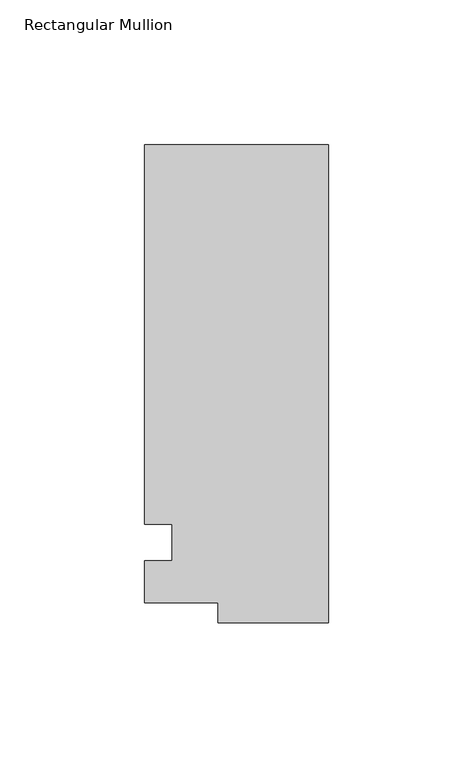
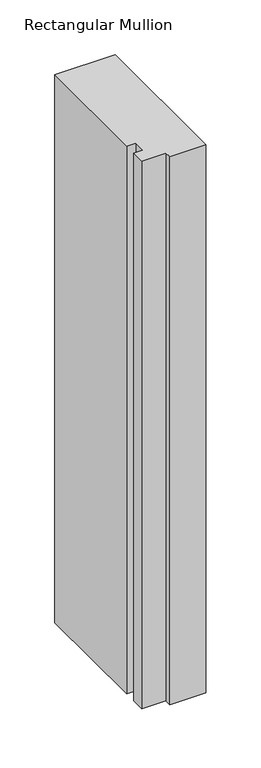
"""IFC4 building model written with IfcOpenShell, lengths in millimetres: member geometry, Rectangular Mullion."""

import ifcopenshell
import ifcopenshell.guid

model = None  # the IFC model being written
_history = None  # IfcOwnerHistory: only IFC2X3 demands one
_inside = {}  # id of a spatial element -> (the spatial element, [elements in it])
_under = {}  # id of a project, library or spatial element -> (it, [spatial elements below it])
_declared = {}  # id of a project -> (the project, [libraries it declares])
_typed = {}  # id of a type object -> (the type object, [elements of that type])
_made_of = {}  # id of a material, layer set ... -> (it, [elements and type objects made of it])


def new_model(schema):
    """Start an empty IFC model of exactly this schema.

    Asked for "IFC4X3", IfcOpenShell would pick the latest addendum, in which some entities
    have other attributes; the version numbers below select the first issue.
    IFC2X3 requires an IfcOwnerHistory on every rooted entity: one is made here for all.
    """
    global model, _history
    if schema == "IFC4X3":
        model = ifcopenshell.file(schema_version=(4, 3, 0, 0))
    else:
        model = ifcopenshell.file(schema=schema)
    _inside.clear()
    _under.clear()
    _declared.clear()
    _typed.clear()
    _made_of.clear()
    _history = None
    if model.schema == "IFC2X3":
        org = make("IfcOrganization", Name="unknown")
        user = make(
            "IfcPersonAndOrganization",
            ThePerson=make("IfcPerson", FamilyName="unknown"),
            TheOrganization=org,
        )
        app = make(
            "IfcApplication",
            ApplicationDeveloper=org,
            Version="unknown",
            ApplicationFullName="unknown",
            ApplicationIdentifier="unknown",
        )
        _history = make(
            "IfcOwnerHistory",
            OwningUser=user,
            OwningApplication=app,
            ChangeAction="ADDED",
            CreationDate=0,
        )
    return model


def make(cls, **values):
    """One entity of the class cls with the attributes given. An attribute that is None is left unset."""
    return model.create_entity(
        cls, **{name: value for name, value in values.items() if value is not None}
    )


def rooted(cls, **values):
    """An entity with a GlobalId (a new one), such as an element, a storey or a relation."""
    return make(cls, GlobalId=ifcopenshell.guid.new(), OwnerHistory=_history, **values)


def si_unit(unit_type, name, prefix=None):
    """IfcSIUnit, for example si_unit("LENGTHUNIT", "METRE", prefix="MILLI")."""
    return make("IfcSIUnit", UnitType=unit_type, Prefix=prefix, Name=name)


def assignment(units):
    """IfcUnitAssignment: the units of a project."""
    return None if units is None else make("IfcUnitAssignment", Units=units)


def point(xyz):
    """IfcCartesianPoint."""
    return None if xyz is None else make("IfcCartesianPoint", Coordinates=xyz)


def direction(xyz):
    """IfcDirection."""
    return None if xyz is None else make("IfcDirection", DirectionRatios=xyz)


def frame(location, z_axis=None, x_axis=None):
    """IfcAxis2Placement3D, a coordinate frame: its origin and axes. An axis left out is left unset."""
    return make(
        "IfcAxis2Placement3D",
        Location=point(location),
        Axis=direction(z_axis),
        RefDirection=direction(x_axis),
    )


def origin():
    """The frame at (0, 0, 0) with its axes left unset."""
    return frame((0.0, 0.0, 0.0))


def place(relative_to, where):
    """IfcLocalPlacement: puts the frame where relative to a parent placement (None: the world)."""
    return make(
        "IfcLocalPlacement", PlacementRelTo=relative_to, RelativePlacement=where
    )


def context(
    kind, dimensions, precision=None, world=None, true_north=None, identifier=None
):
    """IfcGeometricRepresentationContext, for example the 3D "Model" context."""
    return make(
        "IfcGeometricRepresentationContext",
        ContextIdentifier=identifier,
        ContextType=kind,
        CoordinateSpaceDimension=dimensions,
        Precision=precision,
        WorldCoordinateSystem=world,
        TrueNorth=true_north,
    )


def project(units=None, contexts=None):
    """IfcProject with its units and contexts."""
    return rooted(
        "IfcProject",
        Name="project",
        RepresentationContexts=contexts,
        UnitsInContext=assignment(units),
    )


def spatial(cls, under=None, at=None, **own):
    """A site, building, storey or space (cls), placed at a placement, below another one or the project."""
    s = rooted(cls, ObjectPlacement=at, **own)
    if under is not None:
        _under.setdefault(under.id(), (under, []))[1].append(s)
    return s


def polyline(points):
    """IfcPolyline through the points."""
    return make("IfcPolyline", Points=[point(p) for p in points])


def outline(outer, holes=None, kind="AREA"):
    """IfcArbitraryClosedProfileDef: a profile drawn as a closed curve; with holes, ...WithVoids."""
    if holes is None:
        return make("IfcArbitraryClosedProfileDef", ProfileType=kind, OuterCurve=outer)
    return make(
        "IfcArbitraryProfileDefWithVoids",
        ProfileType=kind,
        OuterCurve=outer,
        InnerCurves=holes,
    )


def extrude(swept, where, along, depth):
    """IfcExtrudedAreaSolid: the profile swept, set in the frame where, extruded along a direction by depth."""
    return make(
        "IfcExtrudedAreaSolid",
        SweptArea=swept,
        Position=where,
        ExtrudedDirection=direction(along),
        Depth=depth,
    )


def shape(context_of_items, identifier, shape_type, items):
    """IfcShapeRepresentation: the items that make up one representation, for example the "Body"."""
    return make(
        "IfcShapeRepresentation",
        ContextOfItems=context_of_items,
        RepresentationIdentifier=identifier,
        RepresentationType=shape_type,
        Items=items,
    )


def source(mapping_origin, context_of_items, identifier, shape_type, items):
    """IfcRepresentationMap: a shape defined once, which mapped items show again and again."""
    return make(
        "IfcRepresentationMap",
        MappingOrigin=mapping_origin,
        MappedRepresentation=shape(context_of_items, identifier, shape_type, items),
    )


def transform(
    local_origin,
    x_axis=None,
    y_axis=None,
    z_axis=None,
    scale=None,
    scale2=None,
    scale3=None,
    uniform=True,
):
    """IfcCartesianTransformationOperator3D, or its non-uniform kind. x_axis, y_axis, z_axis: its Axis1, 2, 3."""
    if uniform:
        return make(
            "IfcCartesianTransformationOperator3D",
            Axis1=direction(x_axis),
            Axis2=direction(y_axis),
            LocalOrigin=point(local_origin),
            Scale=scale,
            Axis3=direction(z_axis),
        )
    return make(
        "IfcCartesianTransformationOperator3DnonUniform",
        Axis1=direction(x_axis),
        Axis2=direction(y_axis),
        LocalOrigin=point(local_origin),
        Scale=scale,
        Axis3=direction(z_axis),
        Scale2=scale2,
        Scale3=scale3,
    )


def mapped(mapping_source, mapping_target):
    """IfcMappedItem: shows the shape of a source again, moved by a transform."""
    return make(
        "IfcMappedItem", MappingSource=mapping_source, MappingTarget=mapping_target
    )


def made_of(thing, what):
    """Note that an element or type object is made of a material, layer set ...; save() writes the relation."""
    if what is not None:
        _made_of.setdefault(what.id(), (what, []))[1].append(thing)
    return thing


def element(
    cls,
    number,
    at=None,
    inside=None,
    cuts=None,
    type_object=None,
    material=None,
    context=None,
    identifier="Body",
    shape_type=None,
    held_by="IfcProductDefinitionShape",
    body=None,
    shapes=None,
    **own,
):
    """One element of the class cls, such as IfcWall. Its Tag is "e" and its number.

    at: its placement. inside: the storey or other place that contains it. cuts: it is an
    opening in that element (IfcRelVoidsElement). A single representation is given by context,
    identifier, shape_type and body (its items); several are given by shapes. held_by: the class
    of the entity that holds the representations. save() writes the other relations.
    """
    e = rooted(cls, Tag="e%d" % number, ObjectPlacement=at, **own)
    if body is not None:
        shapes = [shape(context, identifier, shape_type, body)]
    if shapes is not None:
        e.Representation = make(held_by, Representations=shapes)
    if inside is not None:
        _inside.setdefault(inside.id(), (inside, []))[1].append(e)
    if cuts is not None:
        rooted(
            "IfcRelVoidsElement", RelatingBuildingElement=cuts, RelatedOpeningElement=e
        )
    if type_object is not None:
        _typed.setdefault(type_object.id(), (type_object, []))[1].append(e)
    return made_of(e, material)


def aggregate(whole, parts):
    """IfcRelAggregates: a whole, such as a stair, and the parts it consists of."""
    return rooted("IfcRelAggregates", RelatingObject=whole, RelatedObjects=parts)


def save(model, path):
    """Write the relations noted so far, then the file.

    IfcRelAggregates (storeys below a building ...), IfcRelContainedInSpatialStructure (elements
    in a storey), IfcRelDefinesByType, IfcRelAssociatesMaterial and IfcRelDeclares: one each for
    every whole, place, type object, material and project.
    """
    for whole, parts in _under.values():
        aggregate(whole, parts)
    for where, things in _inside.values():
        rooted(
            "IfcRelContainedInSpatialStructure",
            RelatedElements=things,
            RelatingStructure=where,
        )
    for kind, things in _typed.values():
        rooted("IfcRelDefinesByType", RelatedObjects=things, RelatingType=kind)
    for what, things in _made_of.values():
        rooted("IfcRelAssociatesMaterial", RelatedObjects=things, RelatingMaterial=what)
    for by, libraries in _declared.values():
        rooted("IfcRelDeclares", RelatingContext=by, RelatedDefinitions=libraries)
    model.write(path)


def rectangular_mullion_76ff81d7(model_context):
    return source(origin(), model_context, "Body", "SweptSolid", [
        extrude(outline(polyline([(-38.1, -32.54375), (-38.1, -25.58415), (-63.5, -25.58415), (-63.5, -11.1125), (-53.975, -11.1125), (-53.975, 1.5875), (-63.5, 1.5875), (-63.5, 132.55625), (0.0, 132.55625), (0.0, -32.54375), (-38.1, -32.54375)])), frame((0.0, 0.0, -609.6), z_axis=(0.0, 0.0, 1.0), x_axis=(1.0, 0.0, 0.0)), (0.0, 0.0, 1.0), 609.6),
    ])


if __name__ == "__main__":
    model = new_model("IFC4")
    model_context = context("Model", 3, world=origin())
    ifc_project = project(units=[si_unit("LENGTHUNIT", "METRE", prefix="MILLI")], contexts=[model_context])
    site = spatial("IfcSite", under=ifc_project)
    building = spatial("IfcBuilding", under=site)
    placement = place(None, origin())
    rectangular_mullion_shape = rectangular_mullion_76ff81d7(model_context)
    element("IfcMember", 1, ObjectType="Rectangular Mullion", at=placement, inside=building, context=model_context, shape_type="MappedRepresentation", body=[
        mapped(rectangular_mullion_shape, transform((0.0, 0.0, 0.0), x_axis=(1.0, 0.0, 0.0), y_axis=(0.0, 1.0, 0.0), z_axis=(0.0, 0.0, 1.0))),
    ])
    save(model, "model.ifc")
